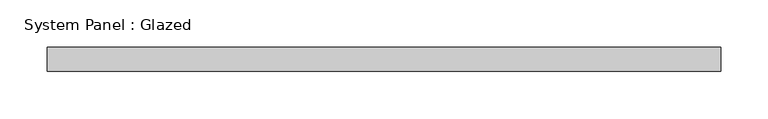
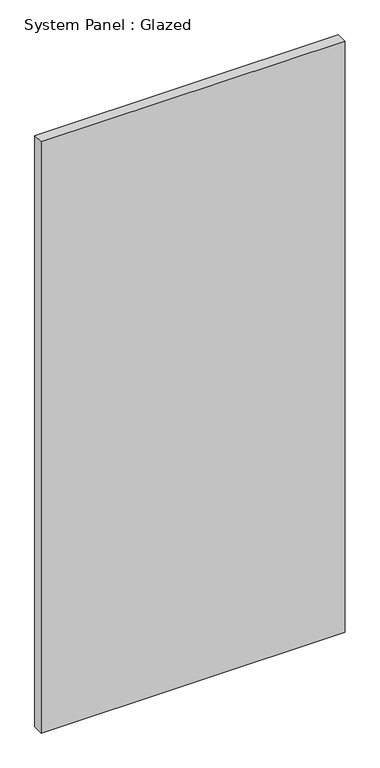
"""IFC4 building model written with IfcOpenShell, lengths in millimetres: plate geometry, System Panel : Glazed."""

import ifcopenshell
import ifcopenshell.guid

model = None  # the IFC model being written
_history = None  # IfcOwnerHistory: only IFC2X3 demands one
_inside = {}  # id of a spatial element -> (the spatial element, [elements in it])
_under = {}  # id of a project, library or spatial element -> (it, [spatial elements below it])
_declared = {}  # id of a project -> (the project, [libraries it declares])
_typed = {}  # id of a type object -> (the type object, [elements of that type])
_made_of = {}  # id of a material, layer set ... -> (it, [elements and type objects made of it])


def new_model(schema):
    """Start an empty IFC model of exactly this schema.

    Asked for "IFC4X3", IfcOpenShell would pick the latest addendum, in which some entities
    have other attributes; the version numbers below select the first issue.
    IFC2X3 requires an IfcOwnerHistory on every rooted entity: one is made here for all.
    """
    global model, _history
    if schema == "IFC4X3":
        model = ifcopenshell.file(schema_version=(4, 3, 0, 0))
    else:
        model = ifcopenshell.file(schema=schema)
    _inside.clear()
    _under.clear()
    _declared.clear()
    _typed.clear()
    _made_of.clear()
    _history = None
    if model.schema == "IFC2X3":
        org = make("IfcOrganization", Name="unknown")
        user = make(
            "IfcPersonAndOrganization",
            ThePerson=make("IfcPerson", FamilyName="unknown"),
            TheOrganization=org,
        )
        app = make(
            "IfcApplication",
            ApplicationDeveloper=org,
            Version="unknown",
            ApplicationFullName="unknown",
            ApplicationIdentifier="unknown",
        )
        _history = make(
            "IfcOwnerHistory",
            OwningUser=user,
            OwningApplication=app,
            ChangeAction="ADDED",
            CreationDate=0,
        )
    return model


def make(cls, **values):
    """One entity of the class cls with the attributes given. An attribute that is None is left unset."""
    return model.create_entity(
        cls, **{name: value for name, value in values.items() if value is not None}
    )


def rooted(cls, **values):
    """An entity with a GlobalId (a new one), such as an element, a storey or a relation."""
    return make(cls, GlobalId=ifcopenshell.guid.new(), OwnerHistory=_history, **values)


def si_unit(unit_type, name, prefix=None):
    """IfcSIUnit, for example si_unit("LENGTHUNIT", "METRE", prefix="MILLI")."""
    return make("IfcSIUnit", UnitType=unit_type, Prefix=prefix, Name=name)


def assignment(units):
    """IfcUnitAssignment: the units of a project."""
    return None if units is None else make("IfcUnitAssignment", Units=units)


def point(xyz):
    """IfcCartesianPoint."""
    return None if xyz is None else make("IfcCartesianPoint", Coordinates=xyz)


def direction(xyz):
    """IfcDirection."""
    return None if xyz is None else make("IfcDirection", DirectionRatios=xyz)


def frame(location, z_axis=None, x_axis=None):
    """IfcAxis2Placement3D, a coordinate frame: its origin and axes. An axis left out is left unset."""
    return make(
        "IfcAxis2Placement3D",
        Location=point(location),
        Axis=direction(z_axis),
        RefDirection=direction(x_axis),
    )


def origin():
    """The frame at (0, 0, 0) with its axes left unset."""
    return frame((0.0, 0.0, 0.0))


def origin_with_axes():
    """The frame at (0, 0, 0) with the z axis (0, 0, 1) and the x axis (1, 0, 0) written out."""
    return frame((0.0, 0.0, 0.0), z_axis=(0.0, 0.0, 1.0), x_axis=(1.0, 0.0, 0.0))


def place(relative_to, where):
    """IfcLocalPlacement: puts the frame where relative to a parent placement (None: the world)."""
    return make(
        "IfcLocalPlacement", PlacementRelTo=relative_to, RelativePlacement=where
    )


def context(
    kind, dimensions, precision=None, world=None, true_north=None, identifier=None
):
    """IfcGeometricRepresentationContext, for example the 3D "Model" context."""
    return make(
        "IfcGeometricRepresentationContext",
        ContextIdentifier=identifier,
        ContextType=kind,
        CoordinateSpaceDimension=dimensions,
        Precision=precision,
        WorldCoordinateSystem=world,
        TrueNorth=true_north,
    )


def project(units=None, contexts=None):
    """IfcProject with its units and contexts."""
    return rooted(
        "IfcProject",
        Name="project",
        RepresentationContexts=contexts,
        UnitsInContext=assignment(units),
    )


def spatial(cls, under=None, at=None, **own):
    """A site, building, storey or space (cls), placed at a placement, below another one or the project."""
    s = rooted(cls, ObjectPlacement=at, **own)
    if under is not None:
        _under.setdefault(under.id(), (under, []))[1].append(s)
    return s


def polyline(points):
    """IfcPolyline through the points."""
    return make("IfcPolyline", Points=[point(p) for p in points])


def outline(outer, holes=None, kind="AREA"):
    """IfcArbitraryClosedProfileDef: a profile drawn as a closed curve; with holes, ...WithVoids."""
    if holes is None:
        return make("IfcArbitraryClosedProfileDef", ProfileType=kind, OuterCurve=outer)
    return make(
        "IfcArbitraryProfileDefWithVoids",
        ProfileType=kind,
        OuterCurve=outer,
        InnerCurves=holes,
    )


def extrude(swept, where, along, depth):
    """IfcExtrudedAreaSolid: the profile swept, set in the frame where, extruded along a direction by depth."""
    return make(
        "IfcExtrudedAreaSolid",
        SweptArea=swept,
        Position=where,
        ExtrudedDirection=direction(along),
        Depth=depth,
    )


def shape(context_of_items, identifier, shape_type, items):
    """IfcShapeRepresentation: the items that make up one representation, for example the "Body"."""
    return make(
        "IfcShapeRepresentation",
        ContextOfItems=context_of_items,
        RepresentationIdentifier=identifier,
        RepresentationType=shape_type,
        Items=items,
    )


def source(mapping_origin, context_of_items, identifier, shape_type, items):
    """IfcRepresentationMap: a shape defined once, which mapped items show again and again."""
    return make(
        "IfcRepresentationMap",
        MappingOrigin=mapping_origin,
        MappedRepresentation=shape(context_of_items, identifier, shape_type, items),
    )


def transform(
    local_origin,
    x_axis=None,
    y_axis=None,
    z_axis=None,
    scale=None,
    scale2=None,
    scale3=None,
    uniform=True,
):
    """IfcCartesianTransformationOperator3D, or its non-uniform kind. x_axis, y_axis, z_axis: its Axis1, 2, 3."""
    if uniform:
        return make(
            "IfcCartesianTransformationOperator3D",
            Axis1=direction(x_axis),
            Axis2=direction(y_axis),
            LocalOrigin=point(local_origin),
            Scale=scale,
            Axis3=direction(z_axis),
        )
    return make(
        "IfcCartesianTransformationOperator3DnonUniform",
        Axis1=direction(x_axis),
        Axis2=direction(y_axis),
        LocalOrigin=point(local_origin),
        Scale=scale,
        Axis3=direction(z_axis),
        Scale2=scale2,
        Scale3=scale3,
    )


def mapped(mapping_source, mapping_target):
    """IfcMappedItem: shows the shape of a source again, moved by a transform."""
    return make(
        "IfcMappedItem", MappingSource=mapping_source, MappingTarget=mapping_target
    )


def made_of(thing, what):
    """Note that an element or type object is made of a material, layer set ...; save() writes the relation."""
    if what is not None:
        _made_of.setdefault(what.id(), (what, []))[1].append(thing)
    return thing


def element(
    cls,
    number,
    at=None,
    inside=None,
    cuts=None,
    type_object=None,
    material=None,
    context=None,
    identifier="Body",
    shape_type=None,
    held_by="IfcProductDefinitionShape",
    body=None,
    shapes=None,
    **own,
):
    """One element of the class cls, such as IfcWall. Its Tag is "e" and its number.

    at: its placement. inside: the storey or other place that contains it. cuts: it is an
    opening in that element (IfcRelVoidsElement). A single representation is given by context,
    identifier, shape_type and body (its items); several are given by shapes. held_by: the class
    of the entity that holds the representations. save() writes the other relations.
    """
    e = rooted(cls, Tag="e%d" % number, ObjectPlacement=at, **own)
    if body is not None:
        shapes = [shape(context, identifier, shape_type, body)]
    if shapes is not None:
        e.Representation = make(held_by, Representations=shapes)
    if inside is not None:
        _inside.setdefault(inside.id(), (inside, []))[1].append(e)
    if cuts is not None:
        rooted(
            "IfcRelVoidsElement", RelatingBuildingElement=cuts, RelatedOpeningElement=e
        )
    if type_object is not None:
        _typed.setdefault(type_object.id(), (type_object, []))[1].append(e)
    return made_of(e, material)


def aggregate(whole, parts):
    """IfcRelAggregates: a whole, such as a stair, and the parts it consists of."""
    return rooted("IfcRelAggregates", RelatingObject=whole, RelatedObjects=parts)


def save(model, path):
    """Write the relations noted so far, then the file.

    IfcRelAggregates (storeys below a building ...), IfcRelContainedInSpatialStructure (elements
    in a storey), IfcRelDefinesByType, IfcRelAssociatesMaterial and IfcRelDeclares: one each for
    every whole, place, type object, material and project.
    """
    for whole, parts in _under.values():
        aggregate(whole, parts)
    for where, things in _inside.values():
        rooted(
            "IfcRelContainedInSpatialStructure",
            RelatedElements=things,
            RelatingStructure=where,
        )
    for kind, things in _typed.values():
        rooted("IfcRelDefinesByType", RelatedObjects=things, RelatingType=kind)
    for what, things in _made_of.values():
        rooted("IfcRelAssociatesMaterial", RelatedObjects=things, RelatingMaterial=what)
    for by, libraries in _declared.values():
        rooted("IfcRelDeclares", RelatingContext=by, RelatedDefinitions=libraries)
    model.write(path)


def system_panel_glazed_83ae8077(model_context):
    return source(origin(), model_context, "Body", "SweptSolid", [
        extrude(outline(polyline([(356.6583333, 19.05), (-356.6583333, 19.05), (-356.6583333, 44.45), (356.6583333, 44.45), (356.6583333, 19.05)])), origin_with_axes(), (0.0, 0.0, 1.0), 1466.85),
    ])


if __name__ == "__main__":
    model = new_model("IFC4")
    model_context = context("Model", 3, world=origin())
    ifc_project = project(units=[si_unit("LENGTHUNIT", "METRE", prefix="MILLI")], contexts=[model_context])
    site = spatial("IfcSite", under=ifc_project)
    building = spatial("IfcBuilding", under=site)
    placement = place(None, origin())
    system_panel_glazed_shape = system_panel_glazed_83ae8077(model_context)
    element("IfcPlate", 1, ObjectType="System Panel : Glazed", at=placement, inside=building, context=model_context, shape_type="MappedRepresentation", body=[
        mapped(system_panel_glazed_shape, transform((0.0, 0.0, 0.0), x_axis=(1.0, 0.0, 0.0), y_axis=(0.0, 1.0, 0.0), z_axis=(0.0, 0.0, 1.0))),
    ])
    save(model, "model.ifc")
